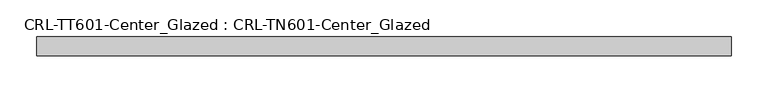
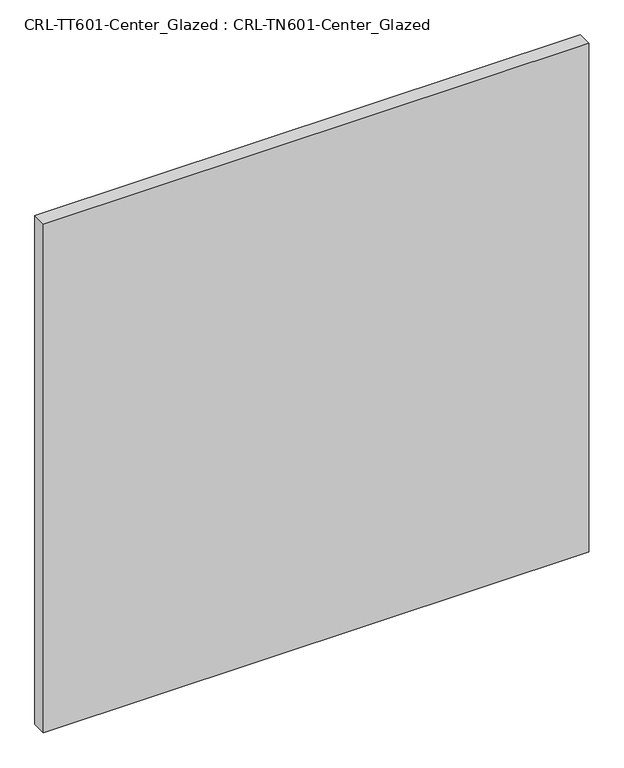
"""IFC4 building model written with IfcOpenShell, lengths in millimetres: plate geometry, CRL-TT601-Center_Glazed : CRL-TN601-Center_Glazed."""

from ifc_helpers import new_model, si_unit, origin, origin_with_axes, place, context, project, spatial, polyline, outline, extrude, source, transform, mapped, element, save


def crl_tt601_center_glazed_crl_tn601_center_glazed_8f59f537(model_context):
    return source(origin(), model_context, "Body", "SweptSolid", [
        extrude(outline(polyline([(-469.903778, -12.7254), (-469.903778, 12.6746), (469.903778, 12.6746), (469.903778, -12.7254), (-469.903778, -12.7254)])), origin_with_axes(), (0.0, 0.0, 1.0), 927.244537),
    ])


if __name__ == "__main__":
    model = new_model("IFC4")
    model_context = context("Model", 3, world=origin())
    ifc_project = project(units=[si_unit("LENGTHUNIT", "METRE", prefix="MILLI")], contexts=[model_context])
    site = spatial("IfcSite", under=ifc_project)
    building = spatial("IfcBuilding", under=site)
    placement = place(None, origin())
    crl_tt601_center_glazed_crl_tn601_center_glazed_shape = crl_tt601_center_glazed_crl_tn601_center_glazed_8f59f537(model_context)
    element("IfcPlate", 1, ObjectType="CRL-TT601-Center_Glazed : CRL-TN601-Center_Glazed", at=placement, inside=building, context=model_context, shape_type="MappedRepresentation", body=[
        mapped(crl_tt601_center_glazed_crl_tn601_center_glazed_shape, transform((0.0, 0.0, 0.0), x_axis=(1.0, 0.0, 0.0), y_axis=(0.0, 1.0, 0.0), z_axis=(0.0, 0.0, 1.0))),
    ])
    save(model, "model.ifc")
